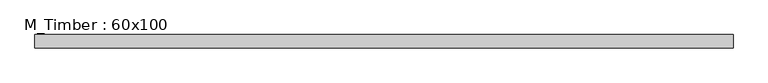
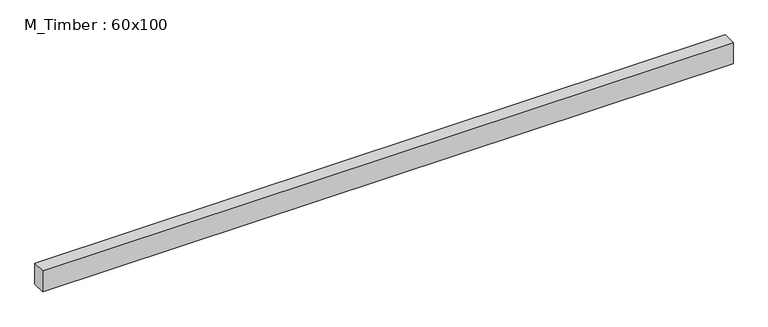
"""IFC4 building model written with IfcOpenShell, lengths in millimetres: beam geometry, M_Timber : 60x100."""

from ifc_helpers import new_model, si_unit, frame, origin, place, context, project, spatial, polyline, outline, extrude, source, transform, mapped, element, save


def m_timber_60x100_e05507a0(model_context):
    return source(origin(), model_context, "Body", "SweptSolid", [
        extrude(outline(polyline([(1554.2513474, 30.0), (1554.2513474, -30.0), (-1548.548065, -30.0), (-1548.548065, 30.0), (1554.2513474, 30.0)])), frame((0.0, 0.0, -50.0), z_axis=(0.0, 0.0, 1.0), x_axis=(1.0, 0.0, 0.0)), (0.0, 0.0, 1.0), 100.0),
    ])


if __name__ == "__main__":
    model = new_model("IFC4")
    model_context = context("Model", 3, world=origin())
    ifc_project = project(units=[si_unit("LENGTHUNIT", "METRE", prefix="MILLI")], contexts=[model_context])
    site = spatial("IfcSite", under=ifc_project)
    building = spatial("IfcBuilding", under=site)
    placement = place(None, origin())
    m_timber_60x100_shape = m_timber_60x100_e05507a0(model_context)
    element("IfcBeam", 1, ObjectType="M_Timber : 60x100", at=placement, inside=building, context=model_context, shape_type="MappedRepresentation", body=[
        mapped(m_timber_60x100_shape, transform((0.0, 0.0, 0.0), x_axis=(1.0, 0.0, 0.0), y_axis=(0.0, 1.0, 0.0), z_axis=(0.0, 0.0, 1.0))),
    ])
    save(model, "model.ifc")
